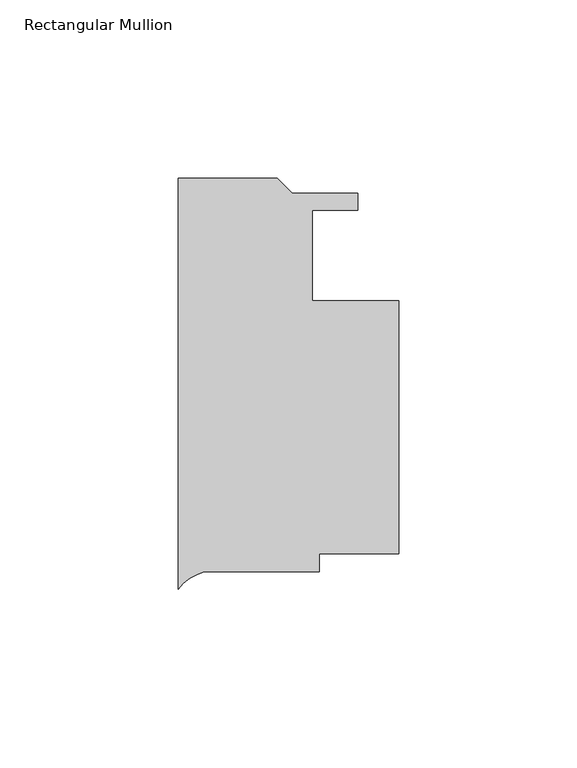
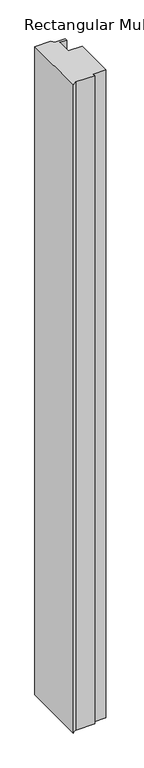
"""IFC4 building model written with IfcOpenShell, lengths in millimetres: member geometry, Rectangular Mullion."""

from ifc_helpers import new_model, si_unit, point, frame, frame_2d, origin, place, context, project, spatial, polyline, circle_curve, trimmed, segment, composite_curve, outline, extrude, source, transform, mapped, element, save


def rectangular_mullion_a5bcf685(model_context):
    return source(origin(), model_context, "Body", "SweptSolid", [
        extrude(outline(composite_curve([segment(polyline([(0.0, 8.950325), (27.7764417, 8.950325), (32.0436417, 4.683125), (50.4261495, 4.683125), (50.4261495, -0.0158751), (37.7261495, -0.0158751), (37.7261495, -25.4158752), (61.9125, -25.4158752), (61.9125, -96.535875), (39.6875, -96.535875), (39.6875, -101.615875), (7.2925126, -101.615875)]), True, "CONTINUOUS"), segment(trimmed(circle_curve(frame_2d((10.8196816, -114.8466887)), 13.6928942), [point((7.2925126, -101.615875))], [point((0.0, -106.4544398))], True, "CARTESIAN"), True, "CONTINUOUS"), segment(polyline([(0.0, -106.4544398), (0.0, 8.950325)]), True, "CONTINUOUS")], self_intersect=False)), frame((0.0, 0.0, -1187.4560108), z_axis=(0.0, 0.0, 1.0), x_axis=(1.0, 0.0, 0.0)), (0.0, 0.0, 1.0), 1187.4560108),
    ])


if __name__ == "__main__":
    model = new_model("IFC4")
    model_context = context("Model", 3, world=origin())
    ifc_project = project(units=[si_unit("LENGTHUNIT", "METRE", prefix="MILLI")], contexts=[model_context])
    site = spatial("IfcSite", under=ifc_project)
    building = spatial("IfcBuilding", under=site)
    placement = place(None, origin())
    rectangular_mullion_shape = rectangular_mullion_a5bcf685(model_context)
    element("IfcMember", 1, ObjectType="Rectangular Mullion", at=placement, inside=building, context=model_context, shape_type="MappedRepresentation", body=[
        mapped(rectangular_mullion_shape, transform((0.0, 0.0, 0.0), x_axis=(1.0, 0.0, 0.0), y_axis=(0.0, 1.0, 0.0), z_axis=(0.0, 0.0, 1.0))),
    ])
    save(model, "model.ifc")
